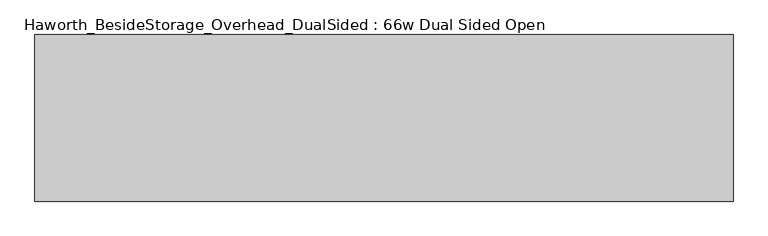
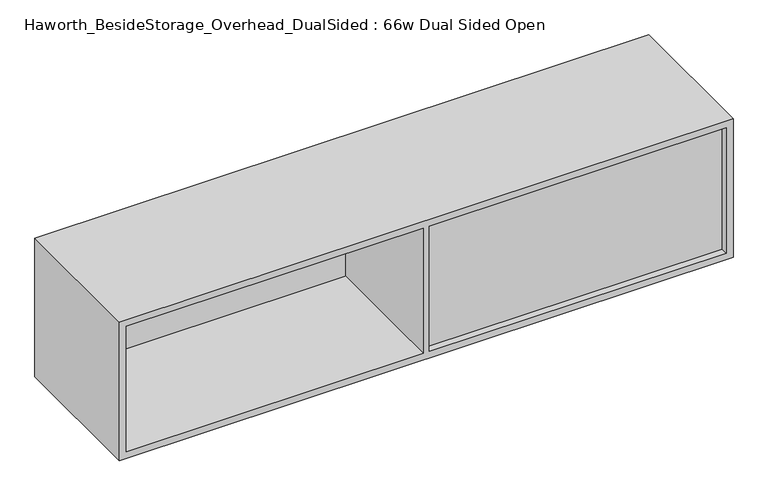
"""IFC4 building model written with IfcOpenShell, lengths in millimetres: furniture geometry, Haworth_BesideStorage_Overhead_DualSided : 66w Dual Sided Open."""

from ifc_helpers import new_model, si_unit, frame, origin, place, context, project, spatial, polyline, outline, extrude, source, transform, mapped, element, save


def haworth_besidestorage_overhead_dualsided_66w_dual_sided_open_f1a15cc5(model_context):
    return source(origin(), model_context, "Body", "SweptSolid", [
        extrude(outline(polyline([(-64.8684159, -371.475), (746.3440841, -371.475), (746.3440841, -384.175), (-64.8684159, -384.175), (-64.8684159, -371.475)])), frame((0.0, 0.0, 781.05), z_axis=(0.0, 0.0, 1.0), x_axis=(1.0, 0.0, 0.0)), (0.0, 0.0, 1.0), 361.95),
        extrude(outline(polyline([(-891.9559159, -22.225), (-80.7434159, -22.225), (-80.7434159, -34.925), (-891.9559159, -34.925), (-891.9559159, -22.225)])), frame((0.0, 0.0, 781.05), z_axis=(0.0, 0.0, 1.0), x_axis=(1.0, 0.0, 0.0)), (0.0, 0.0, 1.0), 361.95),
        extrude(outline(polyline([(762.0, 765.3940841), (1162.05, 765.3940841), (1162.05, -911.0059159), (762.0, -911.0059159), (762.0, 765.3940841)]), holes=[polyline([(1143.0, -80.7434159), (781.05, -80.7434159), (781.05, -891.9559159), (1143.0, -891.9559159), (1143.0, -80.7434159)]), polyline([(781.05, 746.3440841), (781.05, -64.8684159), (1143.0, -64.8684159), (1143.0, 746.3440841), (781.05, 746.3440841)])]), frame((0.0, -403.225, 0.0), z_axis=(0.0, 1.0, 0.0), x_axis=(0.0, 0.0, 1.0)), (0.0, 0.0, 1.0), 400.05),
    ])


if __name__ == "__main__":
    model = new_model("IFC4")
    model_context = context("Model", 3, world=origin())
    ifc_project = project(units=[si_unit("LENGTHUNIT", "METRE", prefix="MILLI")], contexts=[model_context])
    site = spatial("IfcSite", under=ifc_project)
    building = spatial("IfcBuilding", under=site)
    placement = place(None, origin())
    haworth_besidestorage_overhead_dualsided_66w_dual_sided_open_shape = haworth_besidestorage_overhead_dualsided_66w_dual_sided_open_f1a15cc5(model_context)
    element("IfcFurniture", 1, ObjectType="Haworth_BesideStorage_Overhead_DualSided : 66w Dual Sided Open", at=placement, inside=building, context=model_context, shape_type="MappedRepresentation", body=[
        mapped(haworth_besidestorage_overhead_dualsided_66w_dual_sided_open_shape, transform((0.0, 0.0, 0.0), x_axis=(1.0, 0.0, 0.0), y_axis=(0.0, 1.0, 0.0), z_axis=(0.0, 0.0, 1.0))),
    ])
    save(model, "model.ifc")
